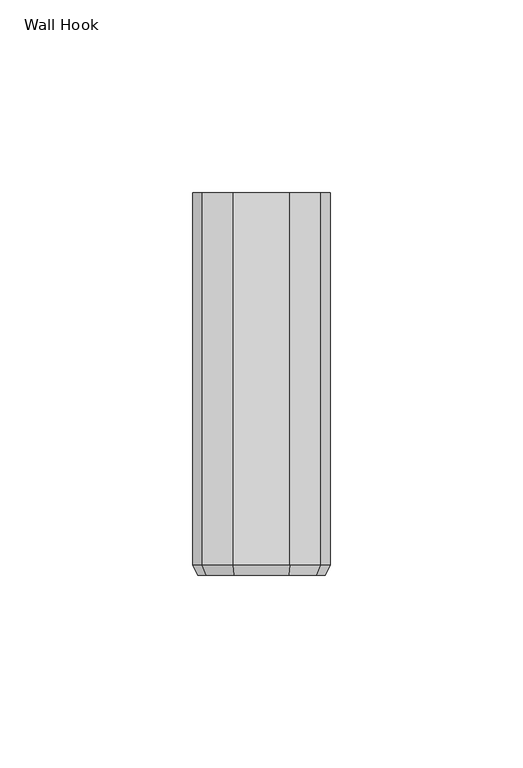
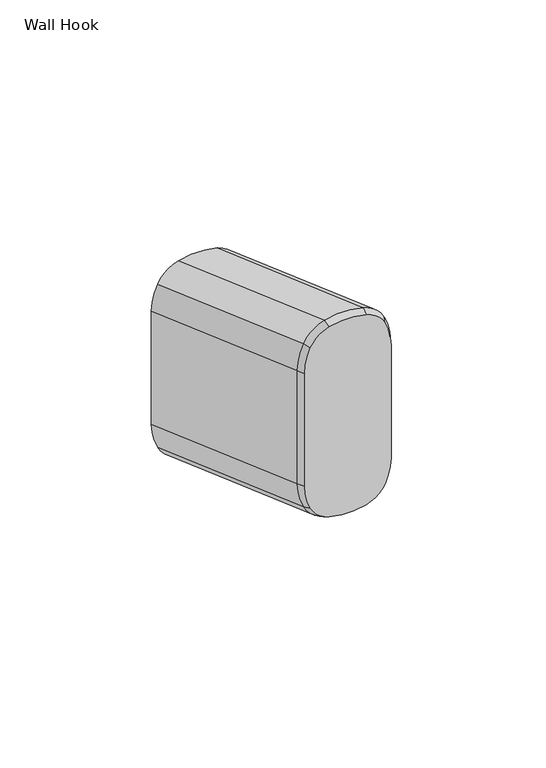
"""IFC4 building model written with IfcOpenShell, lengths in millimetres: furniture geometry, Wall Hook."""

import ifcopenshell
import ifcopenshell.guid

model = None  # the IFC model being written
_history = None  # IfcOwnerHistory: only IFC2X3 demands one
_inside = {}  # id of a spatial element -> (the spatial element, [elements in it])
_under = {}  # id of a project, library or spatial element -> (it, [spatial elements below it])
_declared = {}  # id of a project -> (the project, [libraries it declares])
_typed = {}  # id of a type object -> (the type object, [elements of that type])
_made_of = {}  # id of a material, layer set ... -> (it, [elements and type objects made of it])


def new_model(schema):
    """Start an empty IFC model of exactly this schema.

    Asked for "IFC4X3", IfcOpenShell would pick the latest addendum, in which some entities
    have other attributes; the version numbers below select the first issue.
    IFC2X3 requires an IfcOwnerHistory on every rooted entity: one is made here for all.
    """
    global model, _history
    if schema == "IFC4X3":
        model = ifcopenshell.file(schema_version=(4, 3, 0, 0))
    else:
        model = ifcopenshell.file(schema=schema)
    _inside.clear()
    _under.clear()
    _declared.clear()
    _typed.clear()
    _made_of.clear()
    _history = None
    if model.schema == "IFC2X3":
        org = make("IfcOrganization", Name="unknown")
        user = make(
            "IfcPersonAndOrganization",
            ThePerson=make("IfcPerson", FamilyName="unknown"),
            TheOrganization=org,
        )
        app = make(
            "IfcApplication",
            ApplicationDeveloper=org,
            Version="unknown",
            ApplicationFullName="unknown",
            ApplicationIdentifier="unknown",
        )
        _history = make(
            "IfcOwnerHistory",
            OwningUser=user,
            OwningApplication=app,
            ChangeAction="ADDED",
            CreationDate=0,
        )
    return model


def make(cls, **values):
    """One entity of the class cls with the attributes given. An attribute that is None is left unset."""
    return model.create_entity(
        cls, **{name: value for name, value in values.items() if value is not None}
    )


def rooted(cls, **values):
    """An entity with a GlobalId (a new one), such as an element, a storey or a relation."""
    return make(cls, GlobalId=ifcopenshell.guid.new(), OwnerHistory=_history, **values)


def si_unit(unit_type, name, prefix=None):
    """IfcSIUnit, for example si_unit("LENGTHUNIT", "METRE", prefix="MILLI")."""
    return make("IfcSIUnit", UnitType=unit_type, Prefix=prefix, Name=name)


def assignment(units):
    """IfcUnitAssignment: the units of a project."""
    return None if units is None else make("IfcUnitAssignment", Units=units)


def point(xyz):
    """IfcCartesianPoint."""
    return None if xyz is None else make("IfcCartesianPoint", Coordinates=xyz)


def direction(xyz):
    """IfcDirection."""
    return None if xyz is None else make("IfcDirection", DirectionRatios=xyz)


def frame(location, z_axis=None, x_axis=None):
    """IfcAxis2Placement3D, a coordinate frame: its origin and axes. An axis left out is left unset."""
    return make(
        "IfcAxis2Placement3D",
        Location=point(location),
        Axis=direction(z_axis),
        RefDirection=direction(x_axis),
    )


def origin():
    """The frame at (0, 0, 0) with its axes left unset."""
    return frame((0.0, 0.0, 0.0))


def place(relative_to, where):
    """IfcLocalPlacement: puts the frame where relative to a parent placement (None: the world)."""
    return make(
        "IfcLocalPlacement", PlacementRelTo=relative_to, RelativePlacement=where
    )


def context(
    kind, dimensions, precision=None, world=None, true_north=None, identifier=None
):
    """IfcGeometricRepresentationContext, for example the 3D "Model" context."""
    return make(
        "IfcGeometricRepresentationContext",
        ContextIdentifier=identifier,
        ContextType=kind,
        CoordinateSpaceDimension=dimensions,
        Precision=precision,
        WorldCoordinateSystem=world,
        TrueNorth=true_north,
    )


def project(units=None, contexts=None):
    """IfcProject with its units and contexts."""
    return rooted(
        "IfcProject",
        Name="project",
        RepresentationContexts=contexts,
        UnitsInContext=assignment(units),
    )


def spatial(cls, under=None, at=None, **own):
    """A site, building, storey or space (cls), placed at a placement, below another one or the project."""
    s = rooted(cls, ObjectPlacement=at, **own)
    if under is not None:
        _under.setdefault(under.id(), (under, []))[1].append(s)
    return s


def polyline(points):
    """IfcPolyline through the points."""
    return make("IfcPolyline", Points=[point(p) for p in points])


def circle_curve(where, radius):
    """IfcCircle in the frame where."""
    return make("IfcCircle", Position=where, Radius=radius)


def trimmed(basis, trim1, trim2, sense, master):
    """IfcTrimmedCurve: the piece of a basis curve between two trims."""
    return make(
        "IfcTrimmedCurve",
        BasisCurve=basis,
        Trim1=trim1,
        Trim2=trim2,
        SenseAgreement=sense,
        MasterRepresentation=master,
    )


def shape(context_of_items, identifier, shape_type, items):
    """IfcShapeRepresentation: the items that make up one representation, for example the "Body"."""
    return make(
        "IfcShapeRepresentation",
        ContextOfItems=context_of_items,
        RepresentationIdentifier=identifier,
        RepresentationType=shape_type,
        Items=items,
    )


def source(mapping_origin, context_of_items, identifier, shape_type, items):
    """IfcRepresentationMap: a shape defined once, which mapped items show again and again."""
    return make(
        "IfcRepresentationMap",
        MappingOrigin=mapping_origin,
        MappedRepresentation=shape(context_of_items, identifier, shape_type, items),
    )


def transform(
    local_origin,
    x_axis=None,
    y_axis=None,
    z_axis=None,
    scale=None,
    scale2=None,
    scale3=None,
    uniform=True,
):
    """IfcCartesianTransformationOperator3D, or its non-uniform kind. x_axis, y_axis, z_axis: its Axis1, 2, 3."""
    if uniform:
        return make(
            "IfcCartesianTransformationOperator3D",
            Axis1=direction(x_axis),
            Axis2=direction(y_axis),
            LocalOrigin=point(local_origin),
            Scale=scale,
            Axis3=direction(z_axis),
        )
    return make(
        "IfcCartesianTransformationOperator3DnonUniform",
        Axis1=direction(x_axis),
        Axis2=direction(y_axis),
        LocalOrigin=point(local_origin),
        Scale=scale,
        Axis3=direction(z_axis),
        Scale2=scale2,
        Scale3=scale3,
    )


def mapped(mapping_source, mapping_target):
    """IfcMappedItem: shows the shape of a source again, moved by a transform."""
    return make(
        "IfcMappedItem", MappingSource=mapping_source, MappingTarget=mapping_target
    )


def made_of(thing, what):
    """Note that an element or type object is made of a material, layer set ...; save() writes the relation."""
    if what is not None:
        _made_of.setdefault(what.id(), (what, []))[1].append(thing)
    return thing


def element(
    cls,
    number,
    at=None,
    inside=None,
    cuts=None,
    type_object=None,
    material=None,
    context=None,
    identifier="Body",
    shape_type=None,
    held_by="IfcProductDefinitionShape",
    body=None,
    shapes=None,
    **own,
):
    """One element of the class cls, such as IfcWall. Its Tag is "e" and its number.

    at: its placement. inside: the storey or other place that contains it. cuts: it is an
    opening in that element (IfcRelVoidsElement). A single representation is given by context,
    identifier, shape_type and body (its items); several are given by shapes. held_by: the class
    of the entity that holds the representations. save() writes the other relations.
    """
    e = rooted(cls, Tag="e%d" % number, ObjectPlacement=at, **own)
    if body is not None:
        shapes = [shape(context, identifier, shape_type, body)]
    if shapes is not None:
        e.Representation = make(held_by, Representations=shapes)
    if inside is not None:
        _inside.setdefault(inside.id(), (inside, []))[1].append(e)
    if cuts is not None:
        rooted(
            "IfcRelVoidsElement", RelatingBuildingElement=cuts, RelatedOpeningElement=e
        )
    if type_object is not None:
        _typed.setdefault(type_object.id(), (type_object, []))[1].append(e)
    return made_of(e, material)


def aggregate(whole, parts):
    """IfcRelAggregates: a whole, such as a stair, and the parts it consists of."""
    return rooted("IfcRelAggregates", RelatingObject=whole, RelatedObjects=parts)


def save(model, path):
    """Write the relations noted so far, then the file.

    IfcRelAggregates (storeys below a building ...), IfcRelContainedInSpatialStructure (elements
    in a storey), IfcRelDefinesByType, IfcRelAssociatesMaterial and IfcRelDeclares: one each for
    every whole, place, type object, material and project.
    """
    for whole, parts in _under.values():
        aggregate(whole, parts)
    for where, things in _inside.values():
        rooted(
            "IfcRelContainedInSpatialStructure",
            RelatedElements=things,
            RelatingStructure=where,
        )
    for kind, things in _typed.values():
        rooted("IfcRelDefinesByType", RelatedObjects=things, RelatingType=kind)
    for what, things in _made_of.values():
        rooted("IfcRelAssociatesMaterial", RelatedObjects=things, RelatingMaterial=what)
    for by, libraries in _declared.values():
        rooted("IfcRelDeclares", RelatingContext=by, RelatedDefinitions=libraries)
    model.write(path)


def plane_surface(at):
    """IfcPlane: the flat surface through the origin of the frame at, square to its z axis."""
    return make("IfcPlane", Position=at)


def revolved_surface(curve, axis_point, axis_direction):
    """IfcSurfaceOfRevolution: the curve turned about the line through axis_point along axis_direction."""
    return make(
        "IfcSurfaceOfRevolution",
        SweptCurve=make("IfcArbitraryOpenProfileDef", ProfileType="CURVE", Curve=curve),
        AxisPosition=make("IfcAxis1Placement", Location=point(axis_point), Axis=direction(axis_direction)),
    )


def extruded_surface(curve, direction_of_extrusion, depth):
    """IfcSurfaceOfLinearExtrusion: the curve pushed along a direction by depth."""
    return make(
        "IfcSurfaceOfLinearExtrusion",
        SweptCurve=make("IfcArbitraryOpenProfileDef", ProfileType="CURVE", Curve=curve),
        ExtrudedDirection=direction(direction_of_extrusion),
        Depth=depth,
    )


def advanced_brep(points, edges, surfaces, faces):
    """IfcAdvancedBrep: a solid bounded by faces that lie on surfaces and meet in shared edges.

    An edge is (start, end): straight between two places in points (the first is 0);
    or (start, end, curve); or (start, end, curve, False) where it runs against its curve.
    A face is (place in surfaces, loops), or (place, loops, False) where it looks against
    its surface's normal. A loop lists edges by number (the first is 1), with a minus sign
    where the edge is run from its end to its start. The first loop is the outer one.
    """
    corners = [point(p) for p in points]
    vertices = [make("IfcVertexPoint", VertexGeometry=c) for c in corners]
    made = []
    for start, end, *more in edges:
        made.append(
            make(
                "IfcEdgeCurve",
                EdgeStart=vertices[start],
                EdgeEnd=vertices[end],
                EdgeGeometry=more[0] if more else make("IfcPolyline", Points=[corners[start], corners[end]]),
                SameSense=more[1] if len(more) > 1 else True,
            )
        )
    hull = []
    for where, loops, *sense in faces:
        bounds = []
        for j, loop in enumerate(loops):
            ring = [make("IfcOrientedEdge", EdgeElement=made[abs(k) - 1], Orientation=k > 0) for k in loop]
            bounds.append(
                make(
                    "IfcFaceOuterBound" if j == 0 else "IfcFaceBound",
                    Bound=make("IfcEdgeLoop", EdgeList=ring),
                    Orientation=True,
                )
            )
        hull.append(make("IfcAdvancedFace", Bounds=bounds, FaceSurface=surfaces[where], SameSense=sense[0] if sense else True))
    return make("IfcAdvancedBrep", Outer=make("IfcClosedShell", CfsFaces=hull))


def wall_hook_6a1cb5a5(model_context):
    return source(origin(), model_context, "Body", "AdvancedBrep", [
        advanced_brep(
        [(7.0179885, -99.06, 1202.3432049), (-7.0179885, -99.06, 1202.3432049), (-14.2646843, -99.06, 1196.3899681), (-16.51, -99.06, 1186.8078309), (-16.51, -99.06, 1141.3033315), (-14.2646843, -99.06, 1131.7211944), (-7.0179885, -99.06, 1125.7679575), (7.0179885, -99.06, 1125.7679575), (14.2646843, -99.06, 1131.7211944), (16.51, -99.06, 1141.3033315), (16.51, -99.06, 1186.8078309), (14.2646843, -99.06, 1196.3899681), (7.3505946, -96.52, 1203.5688775), (-7.3505946, -96.52, 1203.5688775), (-15.4024788, -96.52, 1196.9541699), (-17.78, -96.52, 1186.8078309), (-17.78, -96.52, 1141.3033315), (-15.4024788, -96.52, 1131.1569926), (-7.3505946, -96.52, 1124.542285), (7.3505946, -96.52, 1124.542285), (15.4024788, -96.52, 1131.1569926), (17.78, -96.52, 1141.3033315), (17.78, -96.52, 1186.8078309), (15.4024788, -96.52, 1196.9541699), (-17.78, 0.0, 1152.3497346), (-15.4024788, 0.0, 1162.4960735), (-7.3505946, 0.0, 1169.1107811), (7.3505946, 0.0, 1169.1107811), (15.4024788, 0.0, 1162.4960735), (17.78, 0.0, 1152.3497346), (17.78, 0.0, 1106.8452352), (15.4024788, 0.0, 1096.6988962), (7.3505946, 0.0, 1090.0841886), (-7.3505946, 0.0, 1090.0841886), (-15.4024788, 0.0, 1096.6988962), (-17.78, 0.0, 1106.8452352)],
        [
            (0, 1, circle_curve(frame((0.0, -99.06, 1176.4815142), z_axis=(0.0, -1.0, 0.0), x_axis=(0.2618945590455394, 0.0, 0.9650964925551965)), 26.797)),
            (1, 2, circle_curve(frame((-4.0245337, -99.06, 1191.312152), z_axis=(0.0, -1.0, 0.0), x_axis=(-0.26189455904528114, 0.0, 0.9650964925552666)), 11.43)),
            (2, 3, circle_curve(frame((5.0590814, -99.06, 1186.8078309), z_axis=(0.0, -1.0, 0.0), x_axis=(-0.8959011893560278, 0.0, 0.44425337242440255)), 21.5690814)),
            (3, 4),
            (4, 5, circle_curve(frame((5.0590814, -99.06, 1141.3033315), z_axis=(0.0, -1.0, 0.0), x_axis=(-1.0, 0.0, 0.0)), 21.5690814)),
            (5, 6, circle_curve(frame((-4.0245337, -99.06, 1136.7990104), z_axis=(0.0, -1.0, 0.0), x_axis=(-0.8959011893560842, 0.0, -0.44425337242428886)), 11.43)),
            (6, 7, circle_curve(frame((0.0, -99.06, 1151.6296482), z_axis=(0.0, -1.0, 0.0), x_axis=(-0.2618945590454704, 0.0, -0.9650964925552152)), 26.797)),
            (7, 8, circle_curve(frame((4.0245337, -99.06, 1136.7990104), z_axis=(0.0, -1.0, 0.0), x_axis=(0.26189455904534725, 0.0, -0.9650964925552487)), 11.43)),
            (8, 9, circle_curve(frame((-5.0590814, -99.06, 1141.3033315), z_axis=(0.0, -1.0, 0.0), x_axis=(0.8959011893560284, 0.0, -0.44425337242440116)), 21.5690814)),
            (9, 10),
            (10, 11, circle_curve(frame((-5.0590814, -99.06, 1186.8078309), z_axis=(0.0, -1.0, 0.0), x_axis=(1.0, 0.0, 0.0)), 21.5690814)),
            (11, 0, circle_curve(frame((4.0245337, -99.06, 1191.312152), z_axis=(0.0, -1.0, 0.0), x_axis=(0.8959011893560856, 0.0, 0.4442533724242858)), 11.43)),
            (0, 12),
            (12, 13, circle_curve(frame((0.0, -96.52, 1176.4815142), z_axis=(0.0, -1.0, 0.0), x_axis=(0.2618945590455394, 0.0, 0.9650964925551965)), 28.067)),
            (13, 1),
            (13, 14, circle_curve(frame((-4.0245337, -96.52, 1191.312152), z_axis=(0.0, -1.0, 0.0), x_axis=(-0.26189455904528114, 0.0, 0.9650964925552666)), 12.7)),
            (14, 2),
            (14, 15, circle_curve(frame((5.0590814, -96.52, 1186.8078309), z_axis=(0.0, -1.0, 0.0), x_axis=(-0.8959011893560278, 0.0, 0.44425337242440255)), 22.8390814)),
            (15, 3),
            (15, 16),
            (16, 4),
            (16, 17, circle_curve(frame((5.0590814, -96.52, 1141.3033315), z_axis=(0.0, -1.0, 0.0), x_axis=(-1.0, 0.0, 0.0)), 22.8390814)),
            (17, 5),
            (17, 18, circle_curve(frame((-4.0245337, -96.52, 1136.7990104), z_axis=(0.0, -1.0, 0.0), x_axis=(-0.8959011893560842, 0.0, -0.44425337242428886)), 12.7)),
            (18, 6),
            (18, 19, circle_curve(frame((0.0, -96.52, 1151.6296482), z_axis=(0.0, -1.0, 0.0), x_axis=(-0.2618945590454704, 0.0, -0.9650964925552152)), 28.067)),
            (19, 7),
            (19, 20, circle_curve(frame((4.0245337, -96.52, 1136.7990104), z_axis=(0.0, -1.0, 0.0), x_axis=(0.26189455904534725, 0.0, -0.9650964925552487)), 12.7)),
            (20, 8),
            (20, 21, circle_curve(frame((-5.0590814, -96.52, 1141.3033315), z_axis=(0.0, -1.0, 0.0), x_axis=(0.8959011893560284, 0.0, -0.44425337242440116)), 22.8390814)),
            (21, 9),
            (21, 22),
            (22, 10),
            (22, 23, circle_curve(frame((-5.0590814, -96.52, 1186.8078309), z_axis=(0.0, -1.0, 0.0), x_axis=(1.0, 0.0, 0.0)), 22.8390814)),
            (23, 11),
            (23, 12, circle_curve(frame((4.0245337, -96.52, 1191.312152), z_axis=(0.0, -1.0, 0.0), x_axis=(0.8959011893560856, 0.0, 0.4442533724242858)), 12.7)),
            (24, 25, circle_curve(frame((5.0590814, 0.0, 1152.3497346), z_axis=(0.0, 1.0, 0.0), x_axis=(1.0, 0.0, 0.0)), 22.8390814)),
            (25, 26, circle_curve(frame((-4.0245337, 0.0, 1156.8540557), z_axis=(0.0, 1.0, 0.0), x_axis=(1.0, 0.0, 0.0)), 12.7)),
            (26, 27, circle_curve(frame((0.0, 0.0, 1142.0234179), z_axis=(0.0, 1.0, 0.0), x_axis=(1.0, 0.0, 0.0)), 28.067)),
            (27, 28, circle_curve(frame((4.0245337, 0.0, 1156.8540557), z_axis=(0.0, 1.0, 0.0), x_axis=(1.0, 0.0, 0.0)), 12.7)),
            (28, 29, circle_curve(frame((-5.0590814, 0.0, 1152.3497346), z_axis=(0.0, 1.0, 0.0), x_axis=(1.0, 0.0, 0.0)), 22.8390814)),
            (29, 30),
            (30, 31, circle_curve(frame((-5.0590814, 0.0, 1106.8452352), z_axis=(0.0, 1.0, 0.0), x_axis=(1.0, 0.0, 0.0)), 22.8390814)),
            (31, 32, circle_curve(frame((4.0245337, 0.0, 1102.3409141), z_axis=(0.0, 1.0, 0.0), x_axis=(1.0, 0.0, 0.0)), 12.7)),
            (32, 33, circle_curve(frame((0.0, 0.0, 1117.1715519), z_axis=(0.0, 1.0, 0.0), x_axis=(1.0, 0.0, 0.0)), 28.067)),
            (33, 34, circle_curve(frame((-4.0245337, 0.0, 1102.3409141), z_axis=(0.0, 1.0, 0.0), x_axis=(1.0, 0.0, 0.0)), 12.7)),
            (34, 35, circle_curve(frame((5.0590814, 0.0, 1106.8452352), z_axis=(0.0, 1.0, 0.0), x_axis=(1.0, 0.0, 0.0)), 22.8390814)),
            (35, 24),
            (35, 16),
            (15, 24),
            (34, 17),
            (33, 18),
            (32, 19),
            (31, 20),
            (30, 21),
            (29, 22),
            (28, 23),
            (27, 12),
            (26, 13),
            (25, 14),
        ],
        [
            plane_surface(frame((0.0, -99.06, 1164.0555812), z_axis=(0.0, -1.0, 0.0), x_axis=(-0.4442533724243113, 0.0, -0.895901189356073))),
            revolved_surface(polyline([(7.017988509502262, -99.06, 1202.3432049524888), (7.3505946, -96.52, 1203.5688775)]), (0.0, -152.654, 1176.4815142), (0.0, 1.0, 0.0)),
            revolved_surface(polyline([(-7.0179885099999995, -99.06, 1202.34320495), (-7.3505946, -96.52, 1203.5688775)]), (-4.0245337, -121.92, 1191.312152), (0.0, 1.0, 0.0)),
            revolved_surface(polyline([(-14.264684286474171, -99.06, 1196.3899681121727), (-15.4024788, -96.52, 1196.9541699)]), (5.0590814, -142.1981627, 1186.8078309), (0.0, 1.0, 0.0)),
            plane_surface(frame((-17.78, -96.52, 1164.0555812), z_axis=(-0.894427190999924, -0.4472135954999419, 0.0), x_axis=(0.0, 0.0, -1.0))),
            revolved_surface(polyline([(-16.509999997219676, -99.06, 1141.3033315), (-17.78, -96.52, 1141.3033315)]), (5.0590814, -142.1981627, 1141.3033315), (0.0, 1.0, 0.0)),
            revolved_surface(polyline([(-14.264684289999998, -99.06, 1131.72119438), (-15.4024788, -96.52, 1131.1569926)]), (-4.0245337, -121.92, 1136.7990104), (0.0, 1.0, 0.0)),
            revolved_surface(polyline([(-7.017988509502262, -99.06, 1125.7679575429863), (-7.3505946, -96.52, 1124.542285)]), (0.0, -152.654, 1151.6296482), (0.0, 1.0, 0.0)),
            revolved_surface(polyline([(7.0179885099999995, -99.06, 1125.76795754), (7.3505946, -96.52, 1124.542285)]), (4.0245337, -121.92, 1136.7990104), (0.0, 1.0, 0.0)),
            revolved_surface(polyline([(14.264684286474171, -99.06, 1131.7211943822665), (15.4024788, -96.52, 1131.1569926)]), (-5.0590814, -142.1981627, 1141.3033315), (0.0, 1.0, 0.0)),
            plane_surface(frame((17.78, -96.52, 1164.0555812), z_axis=(0.8944271909999189, -0.447213595499952, 0.0), x_axis=(0.0, 0.0, 1.0))),
            revolved_surface(polyline([(16.509999997219676, -99.06, 1186.8078309), (17.78, -96.52, 1186.8078309)]), (-5.0590814, -142.1981627, 1186.8078309), (0.0, 1.0, 0.0)),
            revolved_surface(polyline([(14.264684289999998, -99.06, 1196.38996811), (15.4024788, -96.52, 1196.9541699)]), (4.0245337, -121.92, 1191.312152), (0.0, 1.0, 0.0)),
            plane_surface(frame((0.0, 0.0, 1129.5974849), z_axis=(0.0, 1.0, 0.0), x_axis=(-0.9650964925552253, 0.0, 0.26189455904543313))),
            plane_surface(frame((-17.78, 0.0, 1129.5974849), z_axis=(-1.0, 0.0, 0.0), x_axis=(0.0, 0.0, -1.0))),
            extruded_surface(trimmed(circle_curve(frame((5.0590814, 0.0, 1106.8452352), z_axis=(0.0, -1.0, 0.0), x_axis=(1.0, 0.0, 0.0)), 22.8390814), [point((-17.78, 0.0, 1106.8452352))], [point((-15.4024788, 0.0, 1096.6988962))], True, "CARTESIAN"), (0.0, -96.52, 34.45809630000008), 102.4864420331786),
            extruded_surface(trimmed(circle_curve(frame((-4.0245337, 0.0, 1102.3409141), z_axis=(0.0, -1.0, 0.0), x_axis=(1.0, 0.0, 0.0)), 12.7), [point((-15.4024788, 0.0, 1096.6988962))], [point((-7.3505946, 0.0, 1090.0841886))], True, "CARTESIAN"), (0.0, -96.52, 34.45809630000008), 102.4864420331786),
            extruded_surface(trimmed(circle_curve(frame((0.0, 0.0, 1117.1715519), z_axis=(0.0, -1.0, 0.0), x_axis=(1.0, 0.0, 0.0)), 28.067), [point((-7.3505946, 0.0, 1090.0841886))], [point((7.3505946, 0.0, 1090.0841886))], True, "CARTESIAN"), (0.0, -96.52, 34.45809630000008), 102.4864420331786),
            extruded_surface(trimmed(circle_curve(frame((4.0245337, 0.0, 1102.3409141), z_axis=(0.0, -1.0, 0.0), x_axis=(1.0, 0.0, 0.0)), 12.7), [point((7.3505946, 0.0, 1090.0841886))], [point((15.4024788, 0.0, 1096.6988962))], True, "CARTESIAN"), (0.0, -96.52, 34.45809630000008), 102.4864420331786),
            extruded_surface(trimmed(circle_curve(frame((-5.0590814, 0.0, 1106.8452352), z_axis=(0.0, -1.0, 0.0), x_axis=(1.0, 0.0, 0.0)), 22.8390814), [point((15.4024788, 0.0, 1096.6988962))], [point((17.78, 0.0, 1106.8452352))], True, "CARTESIAN"), (0.0, -96.52, 34.45809630000008), 102.4864420331786),
            plane_surface(frame((17.78, 0.0, 1129.5974849), z_axis=(1.0, 0.0, 0.0), x_axis=(0.0, 0.0, 1.0))),
            extruded_surface(trimmed(circle_curve(frame((-5.0590814, 0.0, 1152.3497346), z_axis=(0.0, -1.0, 0.0), x_axis=(1.0, 0.0, 0.0)), 22.8390814), [point((17.78, 0.0, 1152.3497346))], [point((15.4024788, 0.0, 1162.4960735))], True, "CARTESIAN"), (0.0, -96.52, 34.45809630000008), 102.4864420331786),
            extruded_surface(trimmed(circle_curve(frame((4.0245337, 0.0, 1156.8540557), z_axis=(0.0, -1.0, 0.0), x_axis=(1.0, 0.0, 0.0)), 12.7), [point((15.4024788, 0.0, 1162.4960735))], [point((7.3505946, 0.0, 1169.1107811))], True, "CARTESIAN"), (0.0, -96.52, 34.45809630000008), 102.4864420331786),
            extruded_surface(trimmed(circle_curve(frame((0.0, 0.0, 1142.0234179), z_axis=(0.0, -1.0, 0.0), x_axis=(1.0, 0.0, 0.0)), 28.067), [point((7.3505946, 0.0, 1169.1107811))], [point((-7.3505946, 0.0, 1169.1107811))], True, "CARTESIAN"), (0.0, -96.52, 34.45809630000008), 102.4864420331786),
            extruded_surface(trimmed(circle_curve(frame((-4.0245337, 0.0, 1156.8540557), z_axis=(0.0, -1.0, 0.0), x_axis=(1.0, 0.0, 0.0)), 12.7), [point((-7.3505946, 0.0, 1169.1107811))], [point((-15.4024788, 0.0, 1162.4960735))], True, "CARTESIAN"), (0.0, -96.52, 34.45809630000008), 102.4864420331786),
            extruded_surface(trimmed(circle_curve(frame((5.0590814, 0.0, 1152.3497346), z_axis=(0.0, -1.0, 0.0), x_axis=(1.0, 0.0, 0.0)), 22.8390814), [point((-15.4024788, 0.0, 1162.4960735))], [point((-17.78, 0.0, 1152.3497346))], True, "CARTESIAN"), (0.0, -96.52, 34.45809630000008), 102.4864420331786),
        ],
        [
            (0, [[1, 2, 3, 4, 5, 6, 7, 8, 9, 10, 11, 12]]),
            (1, [[-1, 13, 14, 15]]),
            (2, [[-2, -15, 16, 17]]),
            (3, [[-3, -17, 18, 19]]),
            (4, [[-4, -19, 20, 21]]),
            (5, [[-5, -21, 22, 23]]),
            (6, [[-6, -23, 24, 25]]),
            (7, [[-7, -25, 26, 27]]),
            (8, [[-8, -27, 28, 29]]),
            (9, [[-9, -29, 30, 31]]),
            (10, [[-10, -31, 32, 33]]),
            (11, [[-11, -33, 34, 35]]),
            (12, [[-12, -35, 36, -13]]),
            (13, [[37, 38, 39, 40, 41, 42, 43, 44, 45, 46, 47, 48]]),
            (14, [[-48, 49, -20, 50]]),
            (15, [[-47, 51, -22, -49]]),
            (16, [[-46, 52, -24, -51]]),
            (17, [[-45, 53, -26, -52]]),
            (18, [[-44, 54, -28, -53]]),
            (19, [[-43, 55, -30, -54]]),
            (20, [[-42, 56, -32, -55]]),
            (21, [[-41, 57, -34, -56]]),
            (22, [[-40, 58, -36, -57]]),
            (23, [[-39, 59, -14, -58]]),
            (24, [[-38, 60, -16, -59]]),
            (25, [[-37, -50, -18, -60]]),
        ],
    ),
    ])


if __name__ == "__main__":
    model = new_model("IFC4")
    model_context = context("Model", 3, world=origin())
    ifc_project = project(units=[si_unit("LENGTHUNIT", "METRE", prefix="MILLI")], contexts=[model_context])
    site = spatial("IfcSite", under=ifc_project)
    building = spatial("IfcBuilding", under=site)
    placement = place(None, origin())
    wall_hook_shape = wall_hook_6a1cb5a5(model_context)
    element("IfcFurniture", 1, ObjectType="Wall Hook", at=placement, inside=building, context=model_context, shape_type="MappedRepresentation", body=[
        mapped(wall_hook_shape, transform((0.0, 0.0, 0.0), x_axis=(1.0, 0.0, 0.0), y_axis=(0.0, 1.0, 0.0), z_axis=(0.0, 0.0, 1.0))),
    ])
    save(model, "model.ifc")
